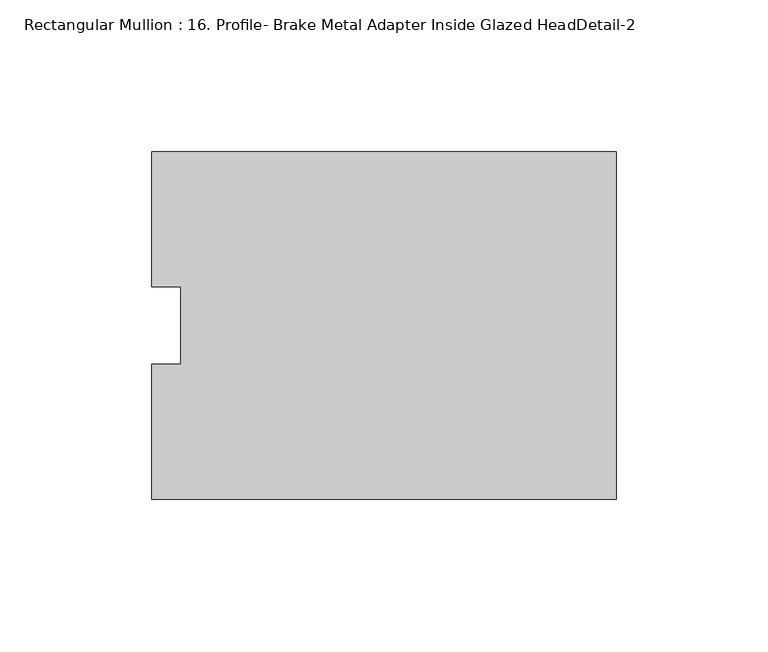
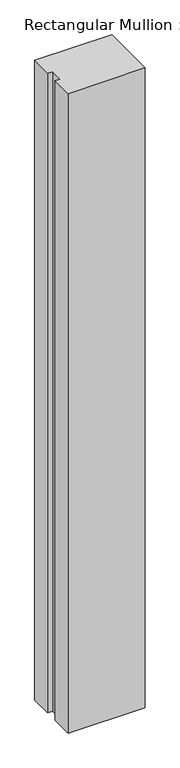
"""IFC4 building model written with IfcOpenShell, lengths in millimetres: member geometry, Rectangular Mullion : 16. Profile- Brake Metal Adapter Inside Glazed HeadDetail-2."""

from ifc_helpers import new_model, si_unit, frame, origin, place, context, project, spatial, polyline, outline, extrude, source, transform, mapped, element, save


def rectangular_mullion_16_profile_brake_metal_adapter_inside_460370b7(model_context):
    return source(origin(), model_context, "Body", "SweptSolid", [
        extrude(outline(polyline([(0.0, -57.1329502), (-152.822148, -57.1329502), (-152.822148, -12.6890395), (-143.278098, -12.6890395), (-143.278098, 12.7986589), (-152.803098, 12.7986589), (-152.803098, 57.1674307), (0.0, 57.1674307), (0.0, -57.1329502)])), frame((0.0, 0.0, -1339.85), z_axis=(0.0, 0.0, 1.0), x_axis=(1.0, 0.0, 0.0)), (0.0, 0.0, 1.0), 1339.85),
    ])


if __name__ == "__main__":
    model = new_model("IFC4")
    model_context = context("Model", 3, world=origin())
    ifc_project = project(units=[si_unit("LENGTHUNIT", "METRE", prefix="MILLI")], contexts=[model_context])
    site = spatial("IfcSite", under=ifc_project)
    building = spatial("IfcBuilding", under=site)
    placement = place(None, origin())
    rectangular_mullion_16_profile_brake_metal_adapter_inside_shape = rectangular_mullion_16_profile_brake_metal_adapter_inside_460370b7(model_context)
    element("IfcMember", 1, ObjectType="Rectangular Mullion : 16. Profile- Brake Metal Adapter Inside Glazed HeadDetail-2", at=placement, inside=building, context=model_context, shape_type="MappedRepresentation", body=[
        mapped(rectangular_mullion_16_profile_brake_metal_adapter_inside_shape, transform((0.0, 0.0, 0.0), x_axis=(1.0, 0.0, 0.0), y_axis=(0.0, 1.0, 0.0), z_axis=(0.0, 0.0, 1.0))),
    ])
    save(model, "model.ifc")
